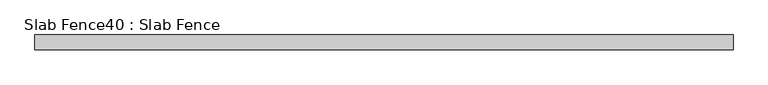
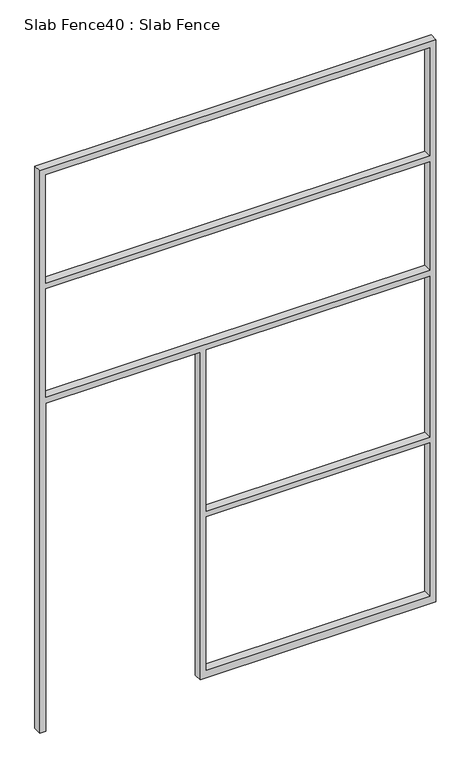
"""IFC4 building model written with IfcOpenShell, lengths in millimetres: proxy geometry, Slab Fence40 : Slab Fence."""

from ifc_helpers import new_model, si_unit, frame, origin, place, context, project, spatial, polyline, outline, extrude, source, transform, mapped, element, save


def slab_fence40_slab_fence_11be3bfa(model_context):
    return source(origin(), model_context, "Body", "SweptSolid", [
        extrude(outline(polyline([(3657.6, 16049.988985), (0.0, 16049.988985), (0.0, 16088.088985), (2133.6, 16088.088985), (2133.6, 17037.413985), (0.0, 17037.413985), (0.0, 17075.513985), (0.0, 18488.388985), (3657.6, 18488.388985), (3657.6, 16049.988985)]), holes=[polyline([(2876.55, 16088.088985), (2876.55, 18450.288985), (2171.7, 18450.288985), (2171.7, 16088.088985), (2876.55, 16088.088985)]), polyline([(3619.5, 18450.288985), (2914.65, 18450.288985), (2914.65, 16088.088985), (3619.5, 16088.088985), (3619.5, 18450.288985)]), polyline([(1085.85, 17075.513985), (2133.6, 17075.513985), (2133.6, 18450.288985), (1085.85, 18450.288985), (1085.85, 17075.513985)]), polyline([(1047.75, 18450.288985), (50.8, 18450.288985), (50.8, 17075.513985), (1047.75, 17075.513985), (1047.75, 18450.288985)])]), frame((0.0, 18762.6246862, 0.0), z_axis=(0.0, 1.0, 0.0), x_axis=(0.0, 0.0, 1.0)), (0.0, 0.0, 1.0), 52.001598),
    ])


if __name__ == "__main__":
    model = new_model("IFC4")
    model_context = context("Model", 3, world=origin())
    ifc_project = project(units=[si_unit("LENGTHUNIT", "METRE", prefix="MILLI")], contexts=[model_context])
    site = spatial("IfcSite", under=ifc_project)
    building = spatial("IfcBuilding", under=site)
    placement = place(None, origin())
    slab_fence40_slab_fence_shape = slab_fence40_slab_fence_11be3bfa(model_context)
    element("IfcBuildingElementProxy", 1, Name="Slab Fence40 : Slab Fence", ObjectType="Slab Fence40 : Slab Fence", at=placement, inside=building, context=model_context, shape_type="MappedRepresentation", body=[
        mapped(slab_fence40_slab_fence_shape, transform((0.0, 0.0, 0.0), x_axis=(1.0, 0.0, 0.0), y_axis=(0.0, 1.0, 0.0), z_axis=(0.0, 0.0, 1.0))),
    ])
    save(model, "model.ifc")
